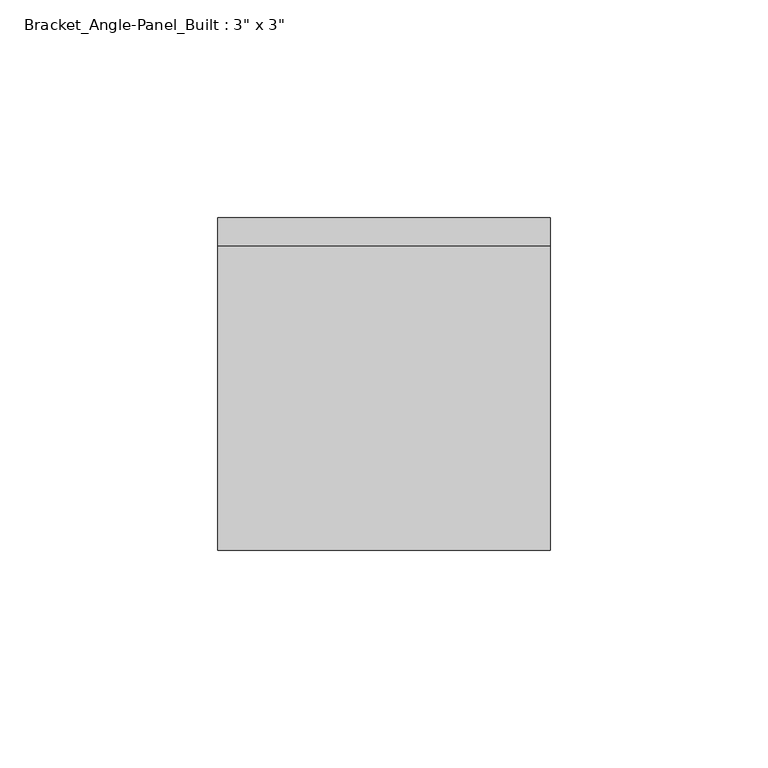
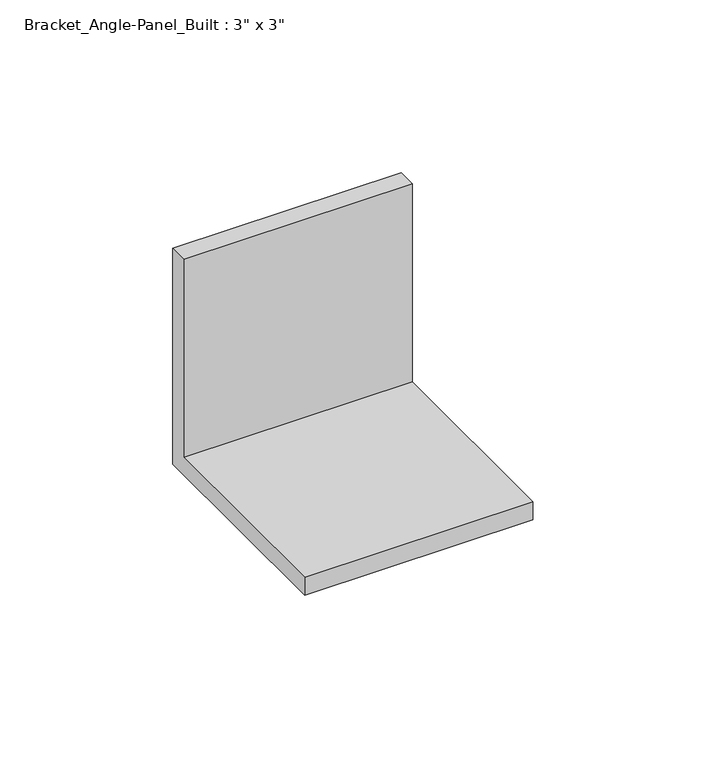
"""IFC4 building model written with IfcOpenShell, lengths in millimetres: fastener geometry."""

from ifc_helpers import new_model, si_unit, frame, origin, place, context, project, spatial, polyline, outline, extrude, source, transform, mapped, element, save


def fastener_4952d2ad(model_context):
    return source(origin(), model_context, "Body", "SweptSolid", [
        extrude(outline(polyline([(0.0, 76.2), (0.0, 0.0), (-76.2, 0.0), (-76.2, 6.35), (-6.35, 6.35), (-6.35, 76.2), (0.0, 76.2)])), frame((-38.1, 0.0, 0.0), z_axis=(1.0, 0.0, 0.0), x_axis=(0.0, 1.0, 0.0)), (0.0, 0.0, 1.0), 76.2),
    ])


if __name__ == "__main__":
    model = new_model("IFC4")
    model_context = context("Model", 3, world=origin())
    ifc_project = project(units=[si_unit("LENGTHUNIT", "METRE", prefix="MILLI")], contexts=[model_context])
    site = spatial("IfcSite", under=ifc_project)
    building = spatial("IfcBuilding", under=site)
    placement = place(None, origin())
    fastener_shape = fastener_4952d2ad(model_context)
    element("IfcFastener", 1, ObjectType="Bracket_Angle-Panel_Built : 3\" x 3\"", at=placement, inside=building, context=model_context, shape_type="MappedRepresentation", body=[
        mapped(fastener_shape, transform((0.0, 0.0, 0.0), x_axis=(1.0, 0.0, 0.0), y_axis=(0.0, 1.0, 0.0), z_axis=(0.0, 0.0, 1.0))),
    ])
    save(model, "model.ifc")
